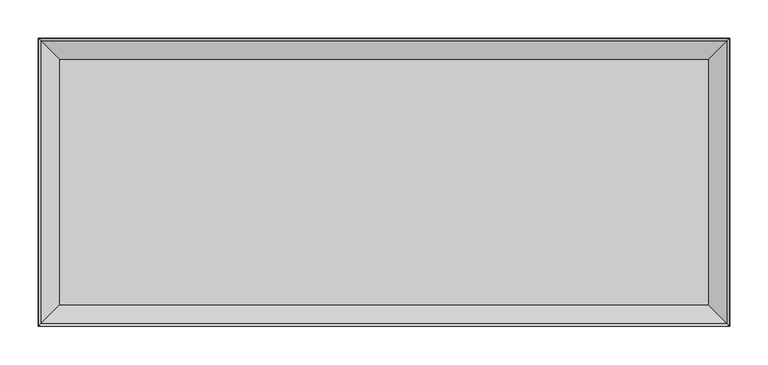
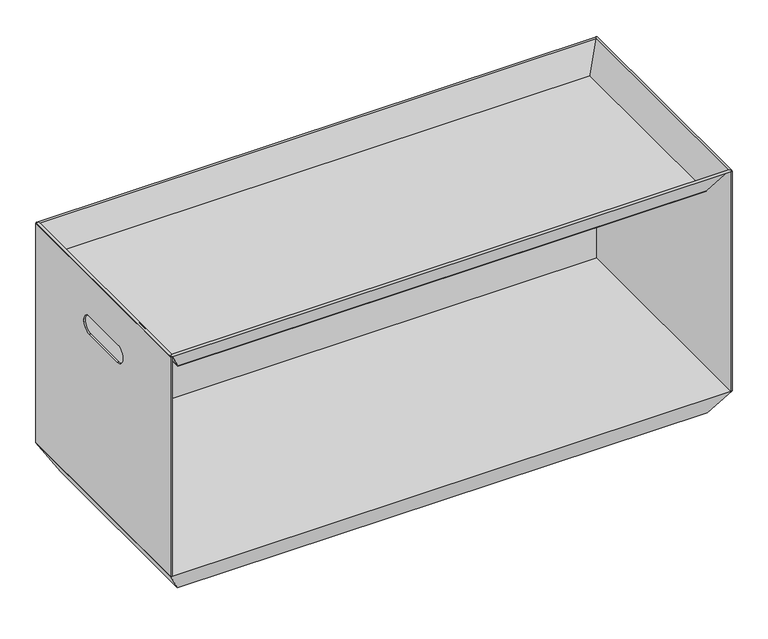
"""IFC4 building model written with IfcOpenShell, lengths in millimetres: furniture geometry."""

from ifc_helpers import new_model, si_unit, point, frame, frame_2d, origin, origin_with_axes, place, context, project, spatial, polyline, circle_curve, ellipse_curve, trimmed, segment, composite_curve, outline, extrude, faceted_brep, source, transform, mapped, element, save
from ifc_brep_helpers import plane_surface, cylinder_surface, revolved_surface, advanced_brep


def furniture_01a52bdc(model_context):
    return source(origin(), model_context, "Body", "SolidModel", [
        extrude(outline(composite_curve([segment(trimmed(circle_curve(frame_2d((42.7125942, -332.356179)), 10.1600005), [point((32.5525937, -332.356179))], [point((52.8725947, -332.356179))], False, "CARTESIAN"), True, "CONTINUOUS"), segment(trimmed(circle_curve(frame_2d((42.7125942, -332.356179)), 10.1600005), [point((52.8725947, -332.356179))], [point((32.5525937, -332.356179))], False, "CARTESIAN"), True, "CONTINUOUS")], self_intersect=False)), origin_with_axes(), (0.0, 0.0, 1.0), 0.6478386),
        extrude(outline(composite_curve([segment(trimmed(circle_curve(frame_2d((42.7125942, -42.293821)), 10.1600005), [point((32.5525937, -42.293821))], [point((52.8725947, -42.293821))], False, "CARTESIAN"), True, "CONTINUOUS"), segment(trimmed(circle_curve(frame_2d((42.7125942, -42.293821)), 10.1600005), [point((52.8725947, -42.293821))], [point((32.5525937, -42.293821))], False, "CARTESIAN"), True, "CONTINUOUS")], self_intersect=False)), origin_with_axes(), (0.0, 0.0, 1.0), 0.6478386),
        extrude(outline(composite_curve([segment(trimmed(circle_curve(frame_2d((857.3999058, -332.356179)), 10.1600005), [point((847.2399053, -332.356179))], [point((867.5599063, -332.356179))], False, "CARTESIAN"), True, "CONTINUOUS"), segment(trimmed(circle_curve(frame_2d((857.3999058, -332.356179)), 10.1600005), [point((867.5599063, -332.356179))], [point((847.2399053, -332.356179))], False, "CARTESIAN"), True, "CONTINUOUS")], self_intersect=False)), origin_with_axes(), (0.0, 0.0, 1.0), 0.6478386),
        extrude(outline(composite_curve([segment(trimmed(circle_curve(frame_2d((857.3999058, -42.293821)), 10.1600005), [point((847.2399053, -42.293821))], [point((867.5599063, -42.293821))], False, "CARTESIAN"), True, "CONTINUOUS"), segment(trimmed(circle_curve(frame_2d((857.3999058, -42.293821)), 10.1600005), [point((867.5599063, -42.293821))], [point((847.2399053, -42.293821))], False, "CARTESIAN"), True, "CONTINUOUS")], self_intersect=False)), origin_with_axes(), (0.0, 0.0, 1.0), 0.6478386),
        extrude(outline(polyline([(870.1000873, -30.0125939), (870.1000873, -70.0125143), (860.1001163, -70.0125143), (858.6783278, -71.4343028), (828.6784285, -41.4344035), (830.1002032, -40.0126288), (830.1002032, -30.0125939), (870.1000873, -30.0125939)])), frame((0.0, 0.0, 0.6478386), z_axis=(0.0, 0.0, 1.0), x_axis=(1.0, 0.0, 0.0)), (0.0, 0.0, 1.0), 0.6478386),
        extrude(outline(polyline([(30.0124127, -30.0125939), (70.0122968, -30.0125939), (70.0122968, -40.0126288), (71.4340715, -41.4344035), (41.4341722, -71.4343028), (40.0123837, -70.0125143), (30.0124127, -70.0125143), (30.0124127, -30.0125939)])), frame((0.0, 0.0, 0.6478386), z_axis=(0.0, 0.0, 1.0), x_axis=(1.0, 0.0, 0.0)), (0.0, 0.0, 1.0), 0.6478386),
        extrude(outline(polyline([(870.1000873, -344.6374061), (830.1002032, -344.6374061), (830.1002032, -334.6373712), (828.6784285, -333.2155965), (858.6783278, -303.2156972), (860.1001163, -304.6374857), (870.1000873, -304.6374857), (870.1000873, -344.6374061)])), frame((0.0, 0.0, 0.6478386), z_axis=(0.0, 0.0, 1.0), x_axis=(1.0, 0.0, 0.0)), (0.0, 0.0, 1.0), 0.6478386),
        extrude(outline(polyline([(30.0124127, -344.6374061), (30.0124127, -304.6374857), (40.0123837, -304.6374857), (41.4341722, -303.2156972), (71.4340715, -333.2155965), (70.0122968, -334.6373712), (70.0122968, -344.6374061), (30.0124127, -344.6374061)])), frame((0.0, 0.0, 0.6478386), z_axis=(0.0, 0.0, 1.0), x_axis=(1.0, 0.0, 0.0)), (0.0, 0.0, 1.0), 0.6478386),
        advanced_brep(
        [(2.1000654, 0.0, 417.779801), (2.1000654, -2.1000654, 417.779801), (898.0124346, -2.1000654, 417.779801), (898.0124346, 0.0, 417.779801), (898.0124346, -2.1000654, 44.8126903), (2.1000654, -2.1000654, 44.8126903), (2.1000654, -374.65, 44.8126903), (0.0, -374.65, 44.8126903), (0.0, 0.0, 44.8126903), (900.1125, 0.0, 44.8126903), (900.1125, -374.65, 44.8126903), (898.0124346, -374.65, 44.8126903), (2.1000654, 0.0, 417.042452), (2.1000654, -2.1000654, 417.042452), (898.0124346, -2.1000654, 417.042452), (898.0124346, 0.0, 417.042452), (900.1125, 0.0, 417.042452), (0.0, 0.0, 417.042452), (2.1000654, -374.65, 417.042452), (2.1000654, -226.3950084, 348.3478506), (2.1000654, -148.2549916, 348.3478506), (2.1000654, -148.2549916, 318.3479012), (2.1000654, -226.3950084, 318.3479012), (0.0, -374.65, 417.042452), (0.0, -226.3950084, 348.3478506), (0.0, -226.3950084, 318.3479012), (0.0, -148.2549916, 318.3479012), (0.0, -148.2549916, 348.3478506), (898.0124346, -374.65, 417.042452), (898.0124346, -226.3950084, 348.3478506), (898.0124346, -226.3950084, 318.3479012), (898.0124346, -148.2549916, 318.3479012), (898.0124346, -148.2549916, 348.3478506), (900.1125, -374.65, 417.042452), (900.1125, -226.3950084, 348.3478506), (900.1125, -148.2549916, 348.3478506), (900.1125, -148.2549916, 318.3479012), (900.1125, -226.3950084, 318.3479012)],
        [
            (0, 1),
            (1, 2),
            (2, 3),
            (3, 0),
            (4, 5),
            (5, 6),
            (6, 7),
            (7, 8),
            (8, 9),
            (9, 10),
            (10, 11),
            (11, 4),
            (0, 12),
            (12, 13),
            (13, 1),
            (13, 5),
            (4, 14),
            (14, 2),
            (14, 15),
            (15, 3),
            (15, 16),
            (16, 9),
            (8, 17),
            (17, 12),
            (18, 6),
            (13, 18),
            (19, 20),
            (20, 21, circle_curve(frame((2.1000654, -148.2549916, 333.3478759), z_axis=(-1.0, 0.0, 0.0), x_axis=(0.0, 1.0, 0.0)), 14.9999747)),
            (21, 22),
            (22, 19, circle_curve(frame((2.1000654, -226.3950084, 333.3478759), z_axis=(-1.0, 0.0, 0.0), x_axis=(0.0, 1.0, 0.0)), 14.9999747)),
            (23, 17),
            (7, 23),
            (24, 25, circle_curve(frame((0.0, -226.3950084, 333.3478759), z_axis=(1.0, 0.0, 0.0), x_axis=(0.0, 1.0, 0.0)), 14.9999747)),
            (25, 26),
            (26, 27, circle_curve(frame((0.0, -148.2549916, 333.3478759), z_axis=(1.0, 0.0, 0.0), x_axis=(0.0, 1.0, 0.0)), 14.9999747)),
            (27, 24),
            (18, 23),
            (19, 24),
            (27, 20),
            (26, 21),
            (25, 22),
            (11, 28),
            (28, 14),
            (29, 30, circle_curve(frame((898.0124346, -226.3950084, 333.3478759), z_axis=(1.0, 0.0, 0.0), x_axis=(0.0, 1.0, 0.0)), 14.9999747)),
            (30, 31),
            (31, 32, circle_curve(frame((898.0124346, -148.2549916, 333.3478759), z_axis=(1.0, 0.0, 0.0), x_axis=(0.0, 1.0, 0.0)), 14.9999747)),
            (32, 29),
            (33, 10),
            (16, 33),
            (34, 35),
            (35, 36, circle_curve(frame((900.1125, -148.2549916, 333.3478759), z_axis=(-1.0, 0.0, 0.0), x_axis=(0.0, 1.0, 0.0)), 14.9999747)),
            (36, 37),
            (37, 34, circle_curve(frame((900.1125, -226.3950084, 333.3478759), z_axis=(-1.0, 0.0, 0.0), x_axis=(0.0, 1.0, 0.0)), 14.9999747)),
            (33, 28),
            (32, 35),
            (34, 29),
            (31, 36),
            (30, 37),
        ],
        [
            plane_surface(frame((2.1000654, -2.1000654, 417.779801), z_axis=(0.0, 0.0, 1.0), x_axis=(0.0, -1.0, 0.0))),
            plane_surface(frame((2.1000654, -2.1000654, 44.8126903), z_axis=(0.0, 0.0, -1.0), x_axis=(0.0, 1.0, 0.0))),
            plane_surface(frame((2.1000654, 0.0, 417.779801), z_axis=(-1.0, 0.0, 0.0), x_axis=(0.0, 0.0, -1.0))),
            plane_surface(frame((2.1000654, -2.1000654, 417.779801), z_axis=(0.0, -1.0, 0.0), x_axis=(0.0, 0.0, -1.0))),
            plane_surface(frame((898.0124346, -2.1000654, 417.779801), z_axis=(1.0, 0.0, 0.0), x_axis=(0.0, 0.0, -1.0))),
            plane_surface(frame((898.0124346, 0.0, 417.779801), z_axis=(0.0, 1.0, 0.0), x_axis=(0.0, 0.0, -1.0))),
            plane_surface(frame((2.1000654, -374.65, 417.779801), z_axis=(1.0, 0.0, 0.0), x_axis=(0.0, 0.0, -1.0))),
            plane_surface(frame((0.0, -374.65, 417.779801), z_axis=(-1.0, 0.0, 0.0), x_axis=(0.0, 0.0, 1.0))),
            plane_surface(frame((2.1000654, -374.65, 417.042452), z_axis=(0.0, -1.0, 0.0), x_axis=(-1.0, 0.0, 0.0))),
            plane_surface(frame((2.1000654, 0.0, 417.042452), z_axis=(0.0, 0.0, 1.0), x_axis=(-1.0, 0.0, 0.0))),
            plane_surface(frame((2.1000654, -226.3950084, 348.3478506), z_axis=(0.0, 0.0, -1.0), x_axis=(-1.0, 0.0, 0.0))),
            revolved_surface(polyline([(0.0, -133.25501690000002, 333.3478759), (2.1000654, -133.25501690000002, 333.3478759)]), (0.0, -148.2549916, 333.3478759), (-1.0, 0.0, 0.0)),
            plane_surface(frame((2.1000654, -148.2549916, 318.3479012), z_axis=(0.0, 0.0, 1.0), x_axis=(-1.0, 0.0, 0.0))),
            revolved_surface(polyline([(0.0, -211.3950337, 333.3478759), (2.1000654, -211.3950337, 333.3478759)]), (0.0, -226.3950084, 333.3478759), (-1.0, 0.0, 0.0)),
            plane_surface(frame((898.0124346, 0.0, 417.042452), z_axis=(-1.0, 0.0, 0.0), x_axis=(0.0, 1.0, 0.0))),
            plane_surface(frame((900.1125, 0.0, 417.042452), z_axis=(1.0, 0.0, 0.0), x_axis=(0.0, -1.0, 0.0))),
            plane_surface(frame((898.0124346, -374.65, 44.8126903), z_axis=(0.0, -1.0, 0.0), x_axis=(1.0, 0.0, 0.0))),
            plane_surface(frame((898.0124346, -374.65, 417.042452), z_axis=(0.0, 0.0, 1.0), x_axis=(1.0, 0.0, 0.0))),
            plane_surface(frame((898.0124346, -148.2549916, 348.3478506), z_axis=(0.0, 0.0, -1.0), x_axis=(1.0, 0.0, 0.0))),
            revolved_surface(polyline([(900.1125, -133.25501690000002, 333.3478759), (898.0124346, -133.25501690000002, 333.3478759)]), (900.1125, -148.2549916, 333.3478759), (1.0, 0.0, 0.0)),
            plane_surface(frame((898.0124346, -226.3950084, 318.3479012), z_axis=(0.0, 0.0, 1.0), x_axis=(1.0, 0.0, 0.0))),
            revolved_surface(polyline([(900.1125, -211.3950337, 333.3478759), (898.0124346, -211.3950337, 333.3478759)]), (900.1125, -226.3950084, 333.3478759), (1.0, 0.0, 0.0)),
        ],
        [
            (0, [[1, 2, 3, 4]]),
            (1, [[5, 6, 7, 8, 9, 10, 11, 12]]),
            (2, [[-1, 13, 14, 15]]),
            (3, [[-2, -15, 16, -5, 17, 18]]),
            (4, [[-3, -18, 19, 20]]),
            (5, [[-4, -20, 21, 22, -9, 23, 24, -13]]),
            (6, [[25, -6, -16, 26], [27, 28, 29, 30]]),
            (7, [[31, -23, -8, 32], [33, 34, 35, 36]]),
            (8, [[-25, 37, -32, -7]]),
            (9, [[-31, -37, -26, -14, -24]]),
            (10, [[-27, 38, -36, 39]]),
            (11, [[-28, -39, -35, 40]]),
            (12, [[-29, -40, -34, 41]]),
            (13, [[-30, -41, -33, -38]]),
            (14, [[42, 43, -17, -12], [44, 45, 46, 47]]),
            (15, [[48, -10, -22, 49], [50, 51, 52, 53]]),
            (16, [[-42, -11, -48, 54]]),
            (17, [[-49, -21, -19, -43, -54]]),
            (18, [[-47, 55, -50, 56]]),
            (19, [[-46, 57, -51, -55]]),
            (20, [[-45, 58, -52, -57]]),
            (21, [[-44, -56, -53, -58]]),
        ],
    ),
        faceted_brep([(900.1125, 0.0, 44.8126903), (0.0, 0.0, 44.8126903), (0.0, -374.65, 44.8126903), (900.1125, -374.65, 44.8126903), (874.989033, -25.1244839, 1.2956773), (874.989033, -349.5255161, 1.2956773), (25.1245314, -349.5255161, 1.2956773), (25.1245314, -25.1244839, 1.2956773)], [[[0, 1, 2, 3]], [[4, 5, 6, 7]], [[4, 7, 1, 0]], [[7, 6, 2, 1]], [[6, 5, 3, 2]], [[5, 4, 0, 3]]]),
        advanced_brep(
        [(874.1125495, -25.9999505, 377.5053338), (896.9393275, -3.1731725, 417.042452), (896.9393275, -371.4768275, 417.042452), (874.1125495, -348.6500495, 377.5053338), (896.2297669, -3.8827331, 418.0584181), (872.8164203, -27.2960797, 377.5053338), (872.8164203, -347.3539203, 377.5053338), (896.2297669, -370.7672669, 418.0584181), (900.1168472, -374.6543472, 417.042452), (900.1168472, 0.0043472, 417.042452), (3.1731725, -371.4768275, 417.042452), (25.9999505, -348.6500495, 377.5053338), (27.2960797, -347.3539203, 377.5053338), (3.8827331, -370.7672669, 418.0584181), (-0.0043472, -374.6543472, 417.042452), (3.1731725, -3.1731725, 417.042452), (25.9999505, -25.9999505, 377.5053338), (27.2960797, -27.2960797, 377.5053338), (3.8827331, -3.8827331, 418.0584181), (-0.0043472, 0.0043472, 417.042452), (874.1125495, -25.9999505, 376.6925338), (874.1125495, -348.6500495, 376.6925338), (25.9999505, -348.6500495, 376.6925338), (25.9999505, -25.9999505, 376.6925338)],
        [
            (0, 1),
            (1, 2),
            (2, 3),
            (3, 0),
            (4, 5),
            (5, 6),
            (6, 7),
            (7, 4),
            (7, 8, ellipse_curve(frame((898.0338402, -372.5713402, 417.0168354), z_axis=(0.7071067811865475, 0.7071067811865475, 0.0), x_axis=(-0.7071067811865474, 0.7071067811865476, 0.0)), 2.9460396, 2.0831646)),
            (8, 9),
            (9, 4, ellipse_curve(frame((898.0338402, -2.0786598, 417.0168354), z_axis=(0.7071067811865475, -0.7071067811865475, 0.0), x_axis=(0.7071067811865474, 0.7071067811865476, 0.0)), 2.9460396, 2.0831646)),
            (2, 10),
            (10, 11),
            (11, 3),
            (6, 12),
            (12, 13),
            (13, 7),
            (13, 14, ellipse_curve(frame((2.0786598, -372.5713402, 417.0168354), z_axis=(0.7071067811865475, -0.7071067811865475, 0.0), x_axis=(0.7071067811865476, 0.7071067811865474, 0.0)), 2.9460396, 2.0831646)),
            (14, 8),
            (10, 15),
            (15, 16),
            (16, 11),
            (12, 17),
            (17, 18),
            (18, 13),
            (18, 19, ellipse_curve(frame((2.0786598, -2.0786598, 417.0168354), z_axis=(-0.7071067811865475, -0.7071067811865475, 0.0), x_axis=(0.7071067811865474, -0.7071067811865476, 0.0)), 2.9460396, 2.0831646)),
            (19, 14),
            (19, 9),
            (1, 15),
            (0, 16),
            (4, 18),
            (17, 5),
            (20, 21),
            (21, 22),
            (22, 23),
            (23, 20),
            (23, 16),
            (0, 20),
            (22, 11),
            (21, 3),
        ],
        [
            plane_surface(frame((896.9393275, -3.1731725, 417.042452), z_axis=(0.8660252876481397, 0.0, -0.5000002011539166), x_axis=(0.0, -1.0, 0.0))),
            plane_surface(frame((872.8164203, -27.2960797, 377.5053338), z_axis=(-0.8660252876481381, 0.0, 0.5000002011539192), x_axis=(0.0, -1.0, 0.0))),
            cylinder_surface(frame((898.0338402, 0.0, 417.0168354), z_axis=(0.0, 1.0, 0.0), x_axis=(1.0, 0.0, 0.0)), 2.0831646),
            plane_surface(frame((896.9393275, -371.4768275, 417.042452), z_axis=(0.0, -0.8660252876481397, -0.5000002011539166), x_axis=(-1.0, 0.0, 0.0))),
            plane_surface(frame((872.8164203, -347.3539203, 377.5053338), z_axis=(0.0, 0.8660252876481381, 0.5000002011539192), x_axis=(-1.0, 0.0, 0.0))),
            cylinder_surface(frame((900.1125, -372.5713402, 417.0168354), z_axis=(1.0, 0.0, 0.0), x_axis=(0.0, -1.0, 0.0)), 2.0831646),
            plane_surface(frame((3.1731725, -371.4768275, 417.042452), z_axis=(-0.8660252876481397, 0.0, -0.5000002011539166), x_axis=(0.0, 1.0, 0.0))),
            plane_surface(frame((27.2960797, -347.3539203, 377.5053338), z_axis=(0.8660252876481381, 0.0, 0.5000002011539192), x_axis=(0.0, 1.0, 0.0))),
            cylinder_surface(frame((2.0786598, -374.65, 417.0168354), z_axis=(0.0, -1.0, 0.0), x_axis=(-1.0, 0.0, 0.0)), 2.0831646),
            plane_surface(frame((-0.0043472, 0.0043472, 417.042452), z_axis=(0.0, 0.0, -1.0), x_axis=(1.0, 0.0, 0.0))),
            plane_surface(frame((3.1731725, -3.1731725, 417.042452), z_axis=(0.0, 0.8660252876481397, -0.5000002011539166), x_axis=(1.0, 0.0, 0.0))),
            plane_surface(frame((27.2960797, -27.2960797, 377.5053338), z_axis=(0.0, -0.8660252876481381, 0.5000002011539192), x_axis=(1.0, 0.0, 0.0))),
            cylinder_surface(frame((0.0, -2.0786598, 417.0168354), z_axis=(-1.0, 0.0, 0.0), x_axis=(0.0, 1.0, 0.0)), 2.0831646),
            plane_surface(frame((25.9999505, -25.9999505, 377.5053338), z_axis=(0.0, 0.0, 1.0), x_axis=(-1.0, 0.0, 0.0))),
            plane_surface(frame((25.9999505, -25.9999505, 376.6925338), z_axis=(0.0, 0.0, -1.0), x_axis=(1.0, 0.0, 0.0))),
            plane_surface(frame((874.1125495, -25.9999505, 377.5053338), z_axis=(0.0, 1.0, 0.0), x_axis=(0.0, 0.0, -1.0))),
            plane_surface(frame((25.9999505, -25.9999505, 377.5053338), z_axis=(-1.0, 0.0, 0.0), x_axis=(0.0, 0.0, -1.0))),
            plane_surface(frame((25.9999505, -348.6500495, 377.5053338), z_axis=(0.0, -1.0, 0.0), x_axis=(0.0, 0.0, -1.0))),
            plane_surface(frame((874.1125495, -348.6500495, 377.5053338), z_axis=(1.0, 0.0, 0.0), x_axis=(0.0, 0.0, -1.0))),
        ],
        [
            (0, [[1, 2, 3, 4]]),
            (1, [[5, 6, 7, 8]]),
            (2, [[-8, 9, 10, 11]]),
            (3, [[-3, 12, 13, 14]]),
            (4, [[-7, 15, 16, 17]]),
            (5, [[-9, -17, 18, 19]]),
            (6, [[-13, 20, 21, 22]]),
            (7, [[-16, 23, 24, 25]]),
            (8, [[-18, -25, 26, 27]]),
            (9, [[-10, -19, -27, 28], [-2, 29, -20, -12]]),
            (10, [[-1, 30, -21, -29]]),
            (11, [[-5, 31, -24, 32]]),
            (12, [[-11, -28, -26, -31]]),
            (13, [[-6, -32, -23, -15]]),
            (14, [[33, 34, 35, 36]]),
            (15, [[-36, 37, -30, 38]]),
            (16, [[-35, 39, -22, -37]]),
            (17, [[-34, 40, -14, -39]]),
            (18, [[-33, -38, -4, -40]]),
        ],
    ),
    ])


if __name__ == "__main__":
    model = new_model("IFC4")
    model_context = context("Model", 3, world=origin())
    ifc_project = project(units=[si_unit("LENGTHUNIT", "METRE", prefix="MILLI")], contexts=[model_context])
    site = spatial("IfcSite", under=ifc_project)
    building = spatial("IfcBuilding", under=site)
    placement = place(None, origin())
    furniture_shape = furniture_01a52bdc(model_context)
    element("IfcFurniture", 1, at=placement, inside=building, context=model_context, shape_type="MappedRepresentation", body=[
        mapped(furniture_shape, transform((0.0, 0.0, 0.0), x_axis=(1.0, 0.0, 0.0), y_axis=(0.0, 1.0, 0.0), z_axis=(0.0, 0.0, 1.0))),
    ])
    save(model, "model.ifc")
